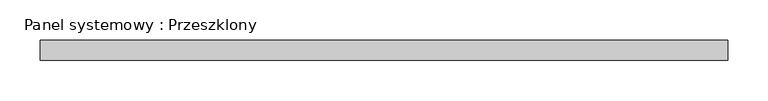
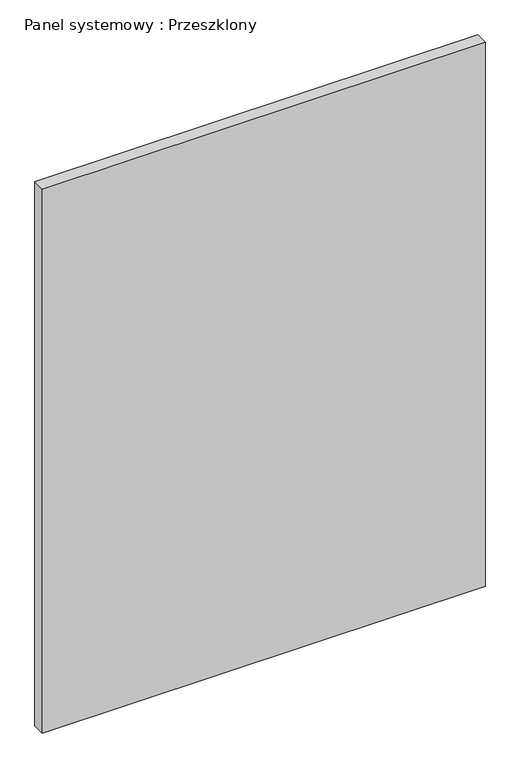
"""IFC4 building model written with IfcOpenShell, lengths in millimetres: plate geometry, Panel systemowy : Przeszklony."""

from ifc_helpers import new_model, si_unit, origin, origin_with_axes, place, context, project, spatial, polyline, outline, extrude, source, transform, mapped, element, save


def panel_systemowy_przeszklony_51bcc485(model_context):
    return source(origin(), model_context, "Body", "SweptSolid", [
        extrude(outline(polyline([(427.5, -12.5), (-427.5, -12.5), (-427.5, 12.5), (427.5, 12.5), (427.5, -12.5)])), origin_with_axes(), (0.0, 0.0, 1.0), 1109.7005384),
    ])


if __name__ == "__main__":
    model = new_model("IFC4")
    model_context = context("Model", 3, world=origin())
    ifc_project = project(units=[si_unit("LENGTHUNIT", "METRE", prefix="MILLI")], contexts=[model_context])
    site = spatial("IfcSite", under=ifc_project)
    building = spatial("IfcBuilding", under=site)
    placement = place(None, origin())
    panel_systemowy_przeszklony_shape = panel_systemowy_przeszklony_51bcc485(model_context)
    element("IfcPlate", 1, ObjectType="Panel systemowy : Przeszklony", at=placement, inside=building, context=model_context, shape_type="MappedRepresentation", body=[
        mapped(panel_systemowy_przeszklony_shape, transform((0.0, 0.0, 0.0), x_axis=(1.0, 0.0, 0.0), y_axis=(0.0, 1.0, 0.0), z_axis=(0.0, 0.0, 1.0))),
    ])
    save(model, "model.ifc")
